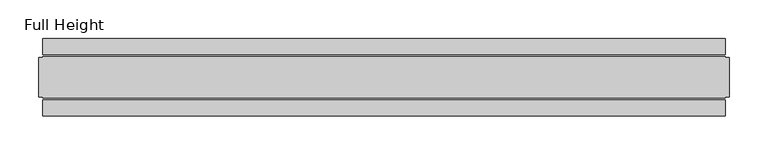
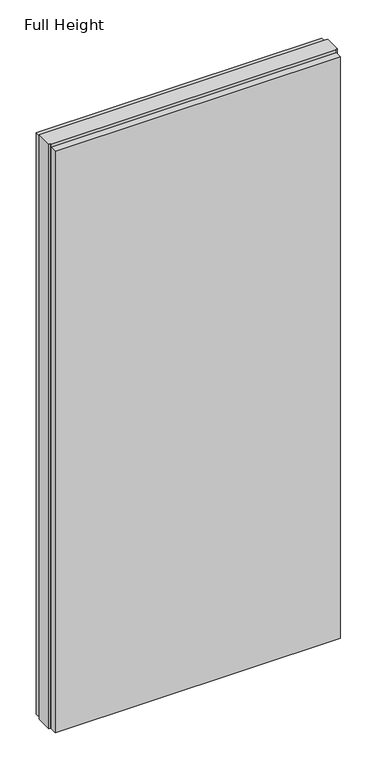
"""IFC4 building model written with IfcOpenShell, lengths in millimetres: plate geometry, Full Height."""

from ifc_helpers import new_model, si_unit, origin, origin_with_axes, place, context, project, spatial, polyline, outline, extrude, source, transform, mapped, element, save


def full_height_1db920bd(model_context):
    return source(origin(), model_context, "Body", "SweptSolid", [
        extrude(outline(polyline([(438.3342, -28.956), (438.3342, -49.53), (-438.3342, -49.53), (-438.3342, -28.956), (438.3342, -28.956)])), origin_with_axes(), (0.0, 0.0, 1.0), 1889.252),
        extrude(outline(polyline([(438.3342, 28.956), (-438.3342, 28.956), (-438.3342, 49.53), (438.3342, 49.53), (438.3342, 28.956)])), origin_with_axes(), (0.0, 0.0, 1.0), 1889.252),
        extrude(outline(polyline([(438.3342, 25.146), (442.9062, 25.146), (442.9062, -25.146), (438.3342, -25.146), (438.3342, -26.67), (-438.3342, -26.67), (-438.3342, -25.146), (-442.9062, -25.146), (-442.9062, 25.146), (-438.3342, 25.146), (-438.3342, 26.67), (438.3342, 26.67), (438.3342, 25.146)])), origin_with_axes(), (0.0, 0.0, 1.0), 1898.396),
    ])


if __name__ == "__main__":
    model = new_model("IFC4")
    model_context = context("Model", 3, world=origin())
    ifc_project = project(units=[si_unit("LENGTHUNIT", "METRE", prefix="MILLI")], contexts=[model_context])
    site = spatial("IfcSite", under=ifc_project)
    building = spatial("IfcBuilding", under=site)
    placement = place(None, origin())
    full_height_shape = full_height_1db920bd(model_context)
    element("IfcPlate", 1, ObjectType="Full Height", at=placement, inside=building, context=model_context, shape_type="MappedRepresentation", body=[
        mapped(full_height_shape, transform((0.0, 0.0, 0.0), x_axis=(1.0, 0.0, 0.0), y_axis=(0.0, 1.0, 0.0), z_axis=(0.0, 0.0, 1.0))),
    ])
    save(model, "model.ifc")
